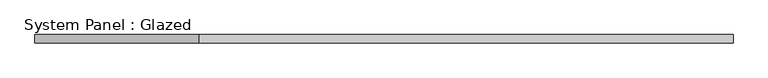
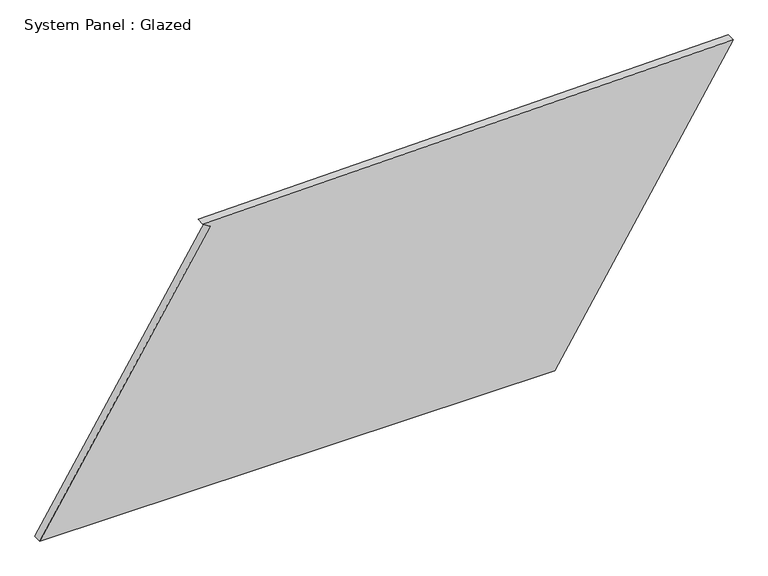
"""IFC4 building model written with IfcOpenShell, lengths in millimetres: plate geometry, System Panel : Glazed."""

from ifc_helpers import new_model, si_unit, frame, origin, place, context, project, spatial, polyline, outline, extrude, source, transform, mapped, element, save


def system_panel_glazed_83e7833e(model_context):
    return source(origin(), model_context, "Body", "SweptSolid", [
        extrude(outline(polyline([(0.0, -1036.1545328), (0.0, 503.3295023), (858.7537884, 1036.1545328), (830.6016607, -548.4661609), (817.3882366, -527.2434036), (0.0, -1036.1545328)])), frame((0.0, -49.5, 0.0), z_axis=(0.0, 1.0, 0.0), x_axis=(0.0, 0.0, 1.0)), (0.0, 0.0, 1.0), 25.0),
    ])


if __name__ == "__main__":
    model = new_model("IFC4")
    model_context = context("Model", 3, world=origin())
    ifc_project = project(units=[si_unit("LENGTHUNIT", "METRE", prefix="MILLI")], contexts=[model_context])
    site = spatial("IfcSite", under=ifc_project)
    building = spatial("IfcBuilding", under=site)
    placement = place(None, origin())
    system_panel_glazed_shape = system_panel_glazed_83e7833e(model_context)
    element("IfcPlate", 1, ObjectType="System Panel : Glazed", at=placement, inside=building, context=model_context, shape_type="MappedRepresentation", body=[
        mapped(system_panel_glazed_shape, transform((0.0, 0.0, 0.0), x_axis=(1.0, 0.0, 0.0), y_axis=(0.0, 1.0, 0.0), z_axis=(0.0, 0.0, 1.0))),
    ])
    save(model, "model.ifc")
